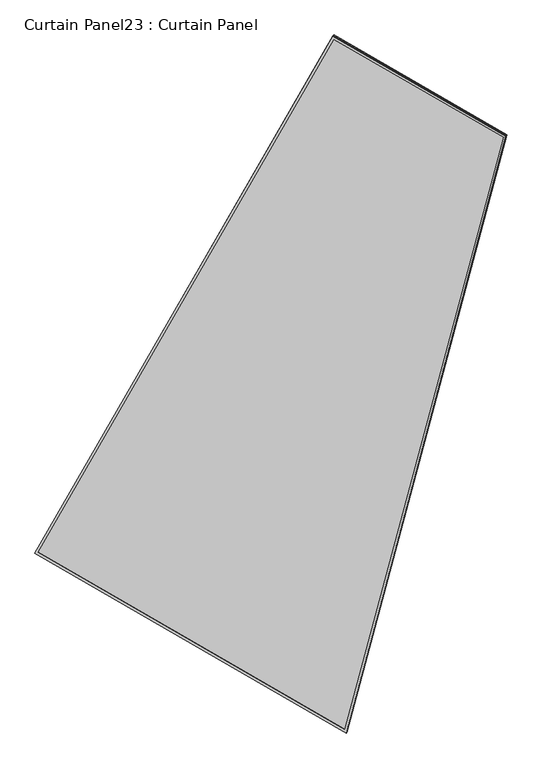
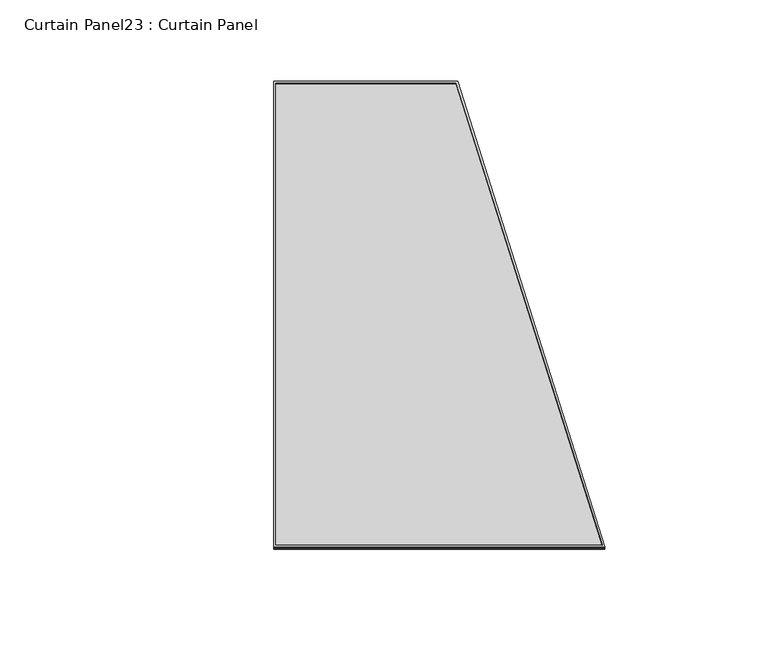
"""IFC4 building model written with IfcOpenShell, lengths in millimetres: plate geometry, Curtain Panel23 : Curtain Panel."""

from ifc_helpers import new_model, si_unit, frame, origin, place, context, project, spatial, polyline, outline, extrude, source, transform, mapped, element, save


def curtain_panel23_curtain_panel_881a25f8(model_context):
    return source(origin(), model_context, "Body", "SweptSolid", [
        extrude(outline(polyline([(1625.9225981, -2842.276264), (722.5243658, -2842.276264), (0.0, 0.0), (1625.9225982, 0.0), (1625.9225981, -2842.276264)]), holes=[polyline([(1614.8100982, -11.1125), (14.2907959, -11.1125), (731.165428, -2831.163764), (1614.8100982, -2831.163764), (1614.8100982, -11.1125)])]), frame((9763.6310034, -8031.1033752, -25.8753228), z_axis=(-0.15807291198690507, -0.2737903148616784, 0.948710608132914), x_axis=(-0.8660254037844349, 0.5000000000000064, 0.0)), (0.0, 0.0, 1.0), 4.8324589),
        extrude(outline(polyline([(1625.9225981, -2842.2762639), (722.5243658, -2842.276264), (0.0, 0.0), (1625.922598, 0.0), (1625.9225981, -2842.2762639)]), holes=[polyline([(1614.8100981, -11.1124999), (14.2907959, -11.1124999), (731.165428, -2831.163764), (1614.8100981, -2831.1637639), (1614.8100981, -11.1124999)])]), frame((9760.8398325, -8035.9378249, -9.1234747), z_axis=(-0.1580729119869048, -0.2737903148616786, 0.948710608132914), x_axis=(-0.8660254037844353, 0.5000000000000059, 0.0)), (0.0, 0.0, 1.0), 4.8113235),
        extrude(outline(polyline([(25.6727144, 0.0), (1651.5953125, 0.0), (1651.5953125, -2842.276264), (748.1970803, -2842.276264), (25.6727144, 0.0)])), frame((9785.1003454, -8045.2628128, -21.2907179), z_axis=(-0.1580729119869049, -0.273790314861678, 0.948710608132914), x_axis=(-0.866025403784435, 0.5000000000000062, 0.0)), (0.0, 0.0, 1.0), 12.8250312),
    ])


if __name__ == "__main__":
    model = new_model("IFC4")
    model_context = context("Model", 3, world=origin())
    ifc_project = project(units=[si_unit("LENGTHUNIT", "METRE", prefix="MILLI")], contexts=[model_context])
    site = spatial("IfcSite", under=ifc_project)
    building = spatial("IfcBuilding", under=site)
    placement = place(None, origin())
    curtain_panel23_curtain_panel_shape = curtain_panel23_curtain_panel_881a25f8(model_context)
    element("IfcPlate", 1, ObjectType="Curtain Panel23 : Curtain Panel", at=placement, inside=building, context=model_context, shape_type="MappedRepresentation", body=[
        mapped(curtain_panel23_curtain_panel_shape, transform((0.0, 0.0, 0.0), x_axis=(1.0, 0.0, 0.0), y_axis=(0.0, 1.0, 0.0), z_axis=(0.0, 0.0, 1.0))),
    ])
    save(model, "model.ifc")
